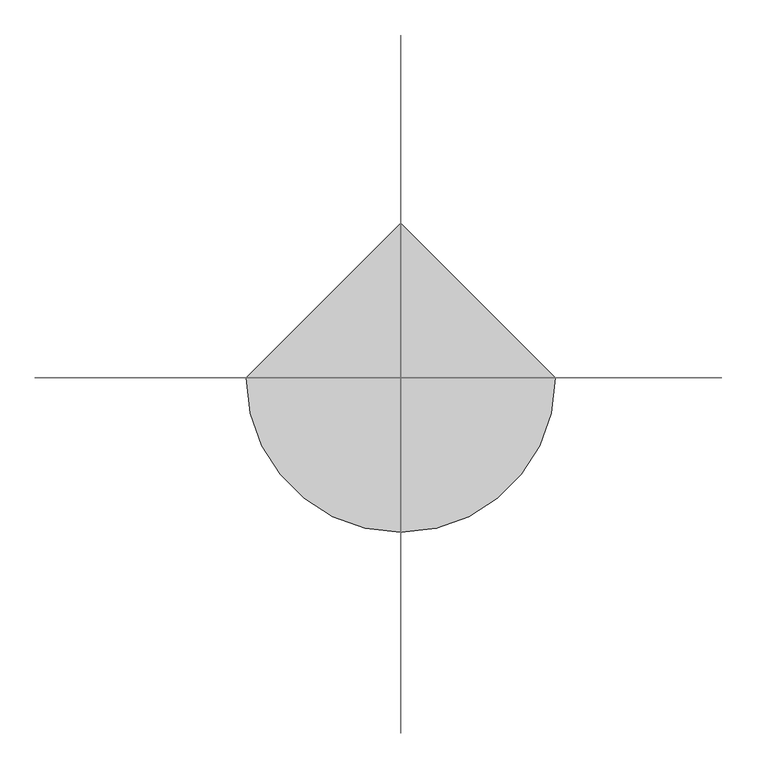
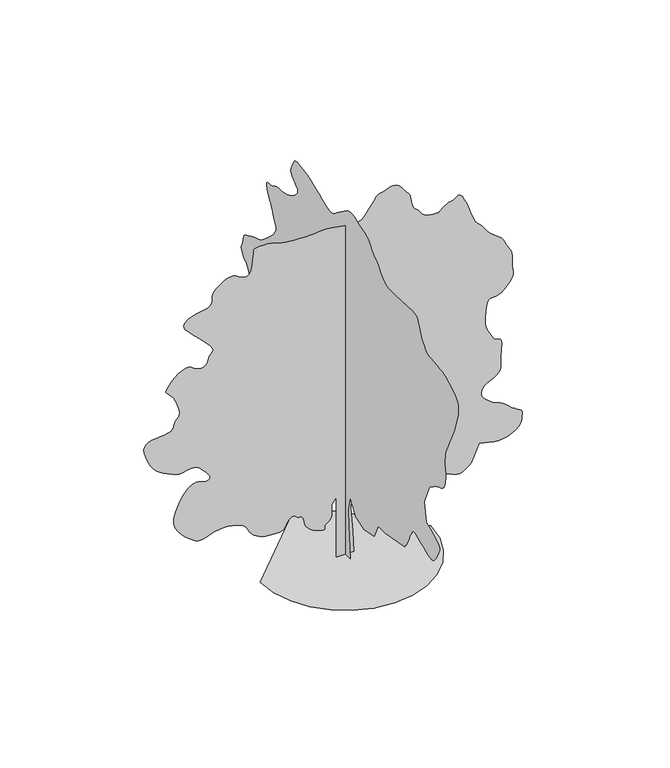
"""IFC4 building model written with IfcOpenShell, lengths in millimetres: geographic element geometry."""

from ifc_helpers import new_model, si_unit, origin, place, context, project, spatial, triangles, source, transform, mapped, element, save


def geographic_element_13b38d7d(model_context):
    return source(origin(), model_context, "Body", "Tessellation", [
        triangles([(0.0172504, 306.0074844, 0.0), (0.0172504, -293.5650026, 0.0), (0.0172504, -196.8600042, 1141.1199549), (0.0172504, -177.5184886, 1682.6674953), (0.0172504, -293.5650026, 2185.5349113), (0.0172504, -603.0224945, 1682.6674953), (0.0172504, -1105.8875124, 1527.9400211), (0.0172504, -1686.1174301, 1663.3275421), (0.0172504, -1918.2099495, 2146.8525341), (0.0172504, -2324.3725124, 2146.8525341), (0.0172504, -3446.1498253, 2359.6049549), (0.0172504, -3487.4249222, 2409.394939), (0.0172504, -3527.7000801, 2459.5225479), (0.0172504, -3565.9250725, 2510.3249702), (0.0172504, -3601.0999603, 2562.1500046), (0.0172504, -3632.2248047, 2615.3249565), (0.0172504, -3658.2749588, 2670.2000954), (0.0172504, -3678.2499023, 2727.0748215), (0.0172504, -3697.649881, 2785.6750237), (0.0172504, -3722.1248405, 2845.2748741), (0.0172504, -3750.8248329, 2905.7249634), (0.0172504, -3782.89991, 2966.8500114), (0.0172504, -3817.5248314, 3028.475029), (0.0172504, -3853.8249413, 3090.4500252), (0.0172504, -3890.9999977, 3152.5750122), (0.0172504, -3908.7000801, 3172.6499496), (0.0172504, -3933.1750397, 3188.8498329), (0.0172504, -3971.1750458, 3197.2499016), (0.0172504, -4029.4749756, 3193.9748108), (0.0172504, -4114.8499969, 3175.1500877), (0.0172504, -4234.0499886, 3136.8498093), (0.0172504, -4393.8498276, 3075.2250824), (0.0172504, -4562.5749939, 3002.6998581), (0.0172504, -4706.2499451, 2937.9750298), (0.0172504, -4828.2750549, 2886.4249786), (0.0172504, -4932.0251175, 2853.4999535), (0.0172504, -5020.8999252, 2844.5999153), (0.0172504, -5098.249855, 2865.1248253), (0.0172504, -5167.4996979, 2920.4999336), (0.0172504, -5237.3750839, 3007.7248421), (0.0172504, -5309.5997452, 3113.9000473), (0.0172504, -5377.0996948, 3229.5499649), (0.0172504, -5432.7497864, 3345.1998825), (0.0172504, -5469.4498718, 3451.3750877), (0.0172504, -5480.1248016, 3538.6249947), (0.0172504, -5457.6250122, 3597.424894), (0.0172504, -5402.6498795, 3641.6998077), (0.0172504, -5323.3000717, 3691.0249947), (0.0172504, -5223.6747574, 3744.5999222), (0.0172504, -5107.774855, 3801.5499344), (0.0172504, -4979.7251129, 3861.0500816), (0.0172504, -4843.5499947, 3922.224836), (0.0172504, -4703.3248329, 3984.2498291), (0.0172504, -4587.2749397, 4641.8498062), (0.0172504, -4877.3749649, 5318.7747665), (0.0172504, -4886.5249878, 5331.7001404), (0.0172504, -4900.7247025, 5347.4747589), (0.0172504, -4925.0999588, 5369.0251877), (0.0172504, -4964.6748688, 5399.20009), (0.0172504, -5024.5497025, 5440.8498734), (0.0172504, -5109.8247299, 5496.8999405), (0.0172504, -5225.5246445, 5570.225116), (0.0172504, -5351.0501221, 5636.6501312), (0.0172504, -5462.3497238, 5680.0498077), (0.0172504, -5559.4501923, 5715.3499786), (0.0172504, -5642.3497833, 5757.424736), (0.0172504, -5711.0246613, 5821.1499161), (0.0172504, -5765.4998245, 5921.4001923), (0.0172504, -5805.7496933, 6073.0746552), (0.0172504, -5829.0500153, 6222.0498642), (0.0172504, -5835.7501877, 6317.5748474), (0.0172504, -5830.6249191, 6379.6001312), (0.0172504, -5818.3750854, 6428.1000778), (0.0172504, -5803.7748138, 6483.0246323), (0.0172504, -5791.5499786, 6564.3249023), (0.0172504, -5786.4247101, 6691.9996674), (0.0172504, -5788.2251816, 6832.849791), (0.0172504, -5796.1246994, 6949.6746368), (0.0172504, -5813.8247818, 7056.3751007), (0.0172504, -5845.0496201, 7166.7747574), (0.0172504, -5893.550148, 7294.7750839), (0.0172504, -5963.0249771, 7454.2496521), (0.0172504, -6057.1750443, 7659.049942), (0.0172504, -6146.5748199, 7844.1746887), (0.0172504, -6206.1746704, 7955.8748474), (0.0172504, -6246.4751175, 8024.9497009), (0.0172504, -6277.9999374, 8082.1746964), (0.0172504, -6311.2246536, 8158.3496979), (0.0172504, -6356.599791, 8284.2751511), (0.0172504, -6424.6747055, 8490.6997604), (0.0172504, -6498.0248795, 8729.4997192), (0.0172504, -6547.3747742, 8935.1499573), (0.0172504, -6565.2498459, 9112.3746048), (0.0172504, -6544.199968, 9265.925116), (0.0172504, -6476.8250107, 9400.5250397), (0.0172504, -6355.6498489, 9520.8996689), (0.0172504, -6173.2249374, 9631.8248749), (0.0172504, -5996.2246948, 9723.0001236), (0.0172504, -5879.7998245, 9785.7747803), (0.0172504, -5799.2250916, 9827.2001587), (0.0172504, -5729.799678, 9854.4496582), (0.0172504, -5646.85009, 9874.575174), (0.0172504, -5525.6749283, 9894.699527), (0.0172504, -5341.575119, 9921.9501892), (0.0172504, -5144.0999634, 9943.4244598), (0.0172504, -4990.9500092, 9951.725116), (0.0172504, -4869.5998581, 9962.0244873), (0.0172504, -4767.5499825, 9989.5995483), (0.0172504, -4672.2499855, 10049.6493713), (0.0172504, -4571.2000488, 10157.425351), (0.0172504, -4451.8750648, 10328.0998169), (0.0172504, -4347.6750298, 10515.7499908), (0.0172504, -4286.1000092, 10666.5500885), (0.0172504, -4245.8498497, 10783.8243256), (0.0172504, -4205.5749825, 10871.0003998), (0.0172504, -4143.9999619, 10931.4501984), (0.0172504, -4039.7999268, 10968.5502594), (0.0172504, -3871.650016, 10985.7003754), (0.0172504, -2943.2749969, 10927.6748474), (0.0172504, -2772.1499771, 10930.6746643), (0.0172504, -2632.8250511, 10930.2746887), (0.0172504, -2514.4500092, 10937.3242584), (0.0172504, -2406.244986, 10962.6250397), (0.0172504, -2297.3599171, 11017.0496246), (0.0172504, -2176.9724979, 11111.3752625), (0.0172504, -2034.2549011, 11256.4745453), (0.0172504, -1896.7275398, 11403.0249023), (0.0172504, -1793.7049038, 11502.8746216), (0.0172504, -1717.0749882, 11568.5752625), (0.0172504, -1658.7124168, 11612.6248993), (0.0172504, -1610.5024235, 11647.5250946), (0.0172504, -1564.3199226, 11685.7995026), (0.0172504, -1512.0500027, 11739.9996826), (0.0172504, -1461.8649845, 11803.9992645), (0.0172504, -1420.8125484, 11863.6002777), (0.0172504, -1379.087479, 11919.1503754), (0.0172504, -1326.8724976, 11970.9495392), (0.0172504, -1254.3574471, 12019.4000702), (0.0172504, -1151.7299904, 12064.7996246), (0.0172504, -1009.182514, 12107.4749268), (0.0172504, -849.1549999, 12154.4999634), (0.0172504, -699.9524792, 12206.6002716), (0.0172504, -560.5600064, 12254.6496643), (0.0172504, -429.9675053, 12289.4998627), (0.0172504, -307.1549798, 12302.0246796), (0.0172504, -191.1079934, 12283.0746735), (0.0172504, -80.8134993, 12223.5248199), (0.0172504, 499.4174812, 11798.0252106), (0.0172504, 562.2325061, 11740.8496307), (0.0172504, 623.0199657, 11688.7493225), (0.0172504, 689.217524, 11646.7751404), (0.0172504, 768.2749804, 11620.0500275), (0.0172504, 867.6299623, 11613.6248383), (0.0172504, 994.7275097, 11632.5748444), (0.0172504, 1157.0125168, 11681.9753174), (0.0172504, 1341.1749676, 11755.3243286), (0.0172504, 1526.6899521, 11837.8251068), (0.0172504, 1710.1749733, 11922.0246185), (0.0172504, 1888.2475342, 12000.4500641), (0.0172504, 2057.5249924, 12065.6995697), (0.0172504, 2214.6199093, 12110.3003357), (0.0172504, 2356.1550201, 12126.8249084), (0.0172504, 2484.8875694, 12135.849939), (0.0172504, 2604.4750374, 12156.3742676), (0.0172504, 2712.9248131, 12178.575238), (0.0172504, 2808.1498146, 12192.6743774), (0.0172504, 2888.1748718, 12188.8501923), (0.0172504, 2950.9248207, 12157.2753754), (0.0172504, 2994.400074, 12088.1249451), (0.0172504, 3033.2500282, 12001.2500153), (0.0172504, 3077.8499222, 11921.1246735), (0.0172504, 3119.7499809, 11845.0502472), (0.0172504, 3150.4998482, 11770.3245758), (0.0172504, 3161.6000427, 11694.2745667), (0.0172504, 3144.6249161, 11614.1503876), (0.0172504, 3091.124984, 11527.2498779), (0.0172504, 3009.2500397, 11447.6245056), (0.0172504, 2921.5998665, 11385.2492432), (0.0172504, 2841.4248184, 11331.3502075), (0.0172504, 2781.8749649, 11277.1000305), (0.0172504, 2756.1750801, 11213.7248291), (0.0172504, 2777.4749428, 11132.4251404), (0.0172504, 2859.0249069, 11024.3747589), (0.0172504, 2971.6250107, 10916.724353), (0.0172504, 3077.7999252, 10838.2000763), (0.0172504, 3178.2249001, 10782.3), (0.0172504, 3273.574894, 10742.6745117), (0.0172504, 3364.5248657, 10712.8251709), (0.0172504, 3451.7750633, 10686.4000397), (0.0172504, 3535.9498672, 10656.8995148), (0.0172504, 3620.024968, 10634.1753204), (0.0172504, 3706.4749237, 10626.6746155), (0.0172504, 3795.2750267, 10625.9502411), (0.0172504, 3886.4499847, 10623.5248077), (0.0172504, 3979.9997978, 10610.9499939), (0.0172504, 4075.9250473, 10579.7495728), (0.0172504, 4174.1998627, 10521.5252197), (0.0172504, 4275.775058, 10469.7993073), (0.0172504, 4375.6250679, 10451.2492767), (0.0172504, 4464.9998451, 10446.8995422), (0.0172504, 4535.0999268, 10437.8245148), (0.0172504, 4577.0999794, 10405.075351), (0.0172504, 4582.2249573, 10329.6753021), (0.0172504, 4541.6998146, 10192.7243591), (0.0172504, 4481.7999825, 10048.5994354), (0.0172504, 4432.0748199, 9951.4995483), (0.0172504, 4388.424868, 9882.1247131), (0.0172504, 4346.824791, 9821.224942), (0.0172504, 4303.174839, 9749.4996689), (0.0172504, 4253.4249687, 9647.6750702), (0.0172504, 4193.5498444, 9496.4499985), (0.0172504, 4130.2749275, 9347.6997757), (0.0172504, 4075.8250534, 9253.7496964), (0.0172504, 4034.1999779, 9195.999733), (0.0172504, 4009.500032, 9155.8498581), (0.0172504, 4005.7749687, 9114.7000443), (0.0172504, 4027.0998299, 9053.8996857), (0.0172504, 4077.4999512, 8954.8999146), (0.0172504, 4167.2249977, 8823.6747849), (0.0172504, 4293.1248711, 8684.3501495), (0.0172504, 4439.3499573, 8545.349913), (0.0172504, 4589.9500671, 8415.1497208), (0.0172504, 4729.0750053, 8302.1996384), (0.0172504, 4840.7748734, 8214.9747299), (0.0172504, 4909.1747681, 8161.9000626), (0.0172504, 4969.9001312, 8128.6997635), (0.0172504, 5061.0747986, 8095.1500671), (0.0172504, 5170.5250946, 8060.9248306), (0.0172504, 5286.0750183, 8025.6746567), (0.0172504, 5395.524733, 7989.0751465), (0.0172504, 5486.6999817, 7950.8001572), (0.0172504, 5547.4247635, 7910.4747116), (0.0172504, 5598.275148, 7876.9750122), (0.0172504, 5663.0246841, 7853.2997131), (0.0172504, 5734.1749924, 7830.2999542), (0.0172504, 5804.3247803, 7798.8251312), (0.0172504, 5866.0250839, 7749.7746368), (0.0172504, 5911.8001968, 7673.9746124), (0.0172504, 5934.2499893, 7562.325032), (0.0172504, 5952.6250305, 7450.1749008), (0.0172504, 5984.1998474, 7370.8500916), (0.0172504, 6018.4750809, 7312.1496048), (0.0172504, 6044.9996246, 7261.899765), (0.0172504, 6053.224704, 7207.9501511), (0.0172504, 6032.699794, 7138.074765), (0.0172504, 5972.9249542, 7040.1249298), (0.0172504, 5898.7248322, 6948.3747162), (0.0172504, 5838.7250061, 6893.5251572), (0.0172504, 5788.2001831, 6857.9500031), (0.0172504, 5742.4000717, 6824.0497467), (0.0172504, 5696.6249588, 6774.2498795), (0.0172504, 5646.1001358, 6690.9747299), (0.0172504, 5586.0997284, 6556.5997925), (0.0172504, 5520.6996506, 6421.9998688), (0.0172504, 5460.6998245, 6337.1498154), (0.0172504, 5411.5249191, 6283.0746277), (0.0172504, 5378.6001846, 6240.824881), (0.0172504, 5367.3247101, 6191.4999847), (0.0172504, 5383.09991, 6116.0999359), (0.0172504, 5431.3748703, 5995.7247253), (0.0172504, 5495.5000259, 5864.0496231), (0.0172504, 5555.8748291, 5761.8250488), (0.0172504, 5613.5747955, 5680.5747757), (0.0172504, 5669.5498672, 5611.8249023), (0.0172504, 5724.8749786, 5547.1497803), (0.0172504, 5780.5250702, 5478.0749268), (0.0172504, 5837.5250793, 5396.1496948), (0.0172504, 5903.6751114, 5315.3499756), (0.0172504, 5980.6500641, 5249.4249298), (0.0172504, 6060.324852, 5189.6000931), (0.0172504, 6134.5999695, 5127.0498413), (0.0172504, 6195.3247513, 5053.0247086), (0.0172504, 6234.3996918, 4958.6746536), (0.0172504, 6243.6997055, 4835.2499199), (0.0172504, 6251.5248093, 4738.3250221), (0.0172504, 6280.349794, 4706.349939), (0.0172504, 6313.2251129, 4704.825032), (0.0172504, 6333.2500534, 4699.249791), (0.0172504, 6323.4750687, 4655.0998695), (0.0172504, 6267.0500244, 4537.8750481), (0.0172504, 6146.999794, 4313.0498177), (0.0172504, 6021.4748978, 4060.8748032), (0.0172504, 5945.6998718, 3875.3750793), (0.0172504, 5898.3248566, 3742.6250427), (0.0172504, 5858.0749878, 3648.7999557), (0.0172504, 5803.5998245, 3580.0000854), (0.0172504, 5713.6000854, 3522.3748238), (0.0172504, 5566.7747452, 3462.0500175), (0.0172504, 5397.2496277, 3413.0998077), (0.0172504, 5248.0500137, 3392.5748978), (0.0172504, 5111.0246567, 3390.9999939), (0.0172504, 4978.0746323, 3398.8998024), (0.0172504, 4841.0498566, 3406.7749031), (0.0172504, 4691.8499519, 3405.1999992), (0.0172504, 4522.3498329, 3384.6750893), (0.0172504, 4353.2999771, 3366.3000481), (0.0172504, 4207.2498802, 3370.249807), (0.0172504, 4078.7998718, 3385.7000267), (0.0172504, 3962.5249924, 3401.8249146), (0.0172504, 3853.0249901, 3407.7998405), (0.0172504, 3744.8749054, 3392.799884), (0.0172504, 3632.6500694, 3345.9998337), (0.0172504, 3525.249939, 3296.2499634), (0.0172504, 3436.4248375, 3270.1998093), (0.0172504, 3368.249929, 3253.6249489), (0.0172504, 3322.75009, 3232.3250862), (0.0172504, 3301.9499062, 3192.0499283), (0.0172504, 3307.8748352, 3118.6500481), (0.0172504, 3342.5500443, 2997.8498634), (0.0172504, 3398.4748283, 2869.5248474), (0.0172504, 3465.5748024, 2778.7248665), (0.0172504, 3542.0000793, 2719.2500084), (0.0172504, 3625.8499031, 2684.8000763), (0.0172504, 3715.274968, 2669.1248703), (0.0172504, 3808.4248055, 2665.9500641), (0.0172504, 3903.4248207, 2669.0498749), (0.0172504, 4270.9250633, 2262.8999565), (0.0172504, 4299.7250496, 2217.1674282), (0.0172504, 4327.3498169, 2170.5925095), (0.0172504, 4352.6250183, 2122.3249615), (0.0172504, 4374.3248566, 2071.5174522), (0.0172504, 4391.2999832, 2017.3299168), (0.0172504, 4402.3498901, 1958.9124069), (0.0172504, 4406.2999397, 1895.4199162), (0.0172504, 4405.6249809, 1829.2200325), (0.0172504, 4400.8999786, 1763.6974331), (0.0172504, 4388.0248924, 1699.5299835), (0.0172504, 4362.9999664, 1637.3900265), (0.0172504, 4321.7248695, 1577.9574623), (0.0172504, 4260.1498489, 1521.9075405), (0.0172504, 4174.1998627, 1469.9175453), (0.0172504, 4092.2249245, 1425.7650078), (0.0172504, 4034.5999535, 1391.4249527), (0.0172504, 3985.4250481, 1364.8674168), (0.0172504, 3928.800016, 1344.0599659), (0.0172504, 3848.8499542, 1326.9749622), (0.0172504, 3729.6499626, 1311.5799717), (0.0172504, 3555.2998489, 1295.8475018), (0.0172504, 3356.9750359, 1298.1024513), (0.0172504, 3174.2248535, 1332.8375404), (0.0172504, 3003.6500908, 1392.27243), (0.0172504, 2841.8750816, 1468.6199501), (0.0172504, 2685.525032, 1554.1049938), (0.0172504, 2531.1748604, 1640.9424259), (0.0172504, 2375.4949734, 1721.3500179), (0.0172504, 2236.6674007, 1794.4849434), (0.0172504, 2129.3049133, 1863.5599422), (0.0172504, 2044.6099377, 1926.8850014), (0.0172504, 1973.7875164, 1982.7650208), (0.0172504, 1908.0399307, 2029.5099873), (0.0172504, 1838.5700432, 2065.4300331), (0.0172504, 1756.5824604, 2088.8299129), (0.0172504, 1666.4174698, 2108.5649002), (0.0172504, 1577.6074837, 2133.0375343), (0.0172504, 1489.134977, 2159.8799366), (0.0172504, 1399.9875114, 2186.7200134), (0.0172504, 1309.1449459, 2211.1925022), (0.0172504, 1215.5974583, 2230.9274895), (0.0172504, 1118.3299942, 2243.5575325), (0.0172504, 1018.8625191, 2250.1549496), (0.0172504, 919.3925005, 2253.7074944), (0.0172504, 819.9249527, 2254.7224033), (0.0172504, 720.4574776, 2253.7074944), (0.0172504, 620.9900024, 2251.1700039), (0.0172504, 521.5199839, 2247.6174591), (0.0172504, 422.0525087, 2243.5575325), (0.0172504, 228.6430025, 1953.4425373), (0.0172504, 189.960498, 1508.5999226), (280.4450004, 0.0006008, 0.0092122), (-299.78499, 0.0006008, 0.0092122), (-299.78499, 0.0004756, 2127.5199932), (-454.5149895, 0.0004756, 1914.7698978), (-454.5149895, 0.0005007, 1682.6775238), (-450.962481, 0.0005007, 1628.8274677), (-450.962481, 0.0005007, 1575.1449886), (-458.0674979, 0.0005007, 1521.8024597), (-475.8274967, 0.0005257, 1468.967458), (-507.8000001, 0.0005257, 1416.8100311), (-557.5350094, 0.0005257, 1365.4949947), (-628.5824896, 0.0005257, 1315.1974834), (-684.2375227, 0.0005257, 1262.982502), (-699.6325132, 0.0005257, 1210.0899456), (-696.0799685, 0.0005257, 1162.9524885), (-694.8950117, 0.0005257, 1127.990015), (-717.3950191, 0.0005257, 1111.6374521), (-784.8899546, 0.0005257, 1120.3224598), (-918.6974848, 0.0005257, 1160.4700092), (-1071.3399845, 0.0005257, 1223.0050003), (-1185.4124548, 0.0005257, 1293.6575191), (-1267.3424103, 0.0005257, 1371.0799736), (-1323.5625252, 0.0005257, 1453.9124176), (-1360.49748, 0.0005007, 1540.8049335), (-1384.5749348, 0.0005007, 1630.4049877), (-1402.2250202, 0.0005007, 1721.359901), (-1406.7349194, 0.0005007, 1746.1124599), (-1413.4449749, 0.0005007, 1770.1899147), (-1424.5524364, 0.0005007, 1792.9174519), (-1442.2599312, 0.0005007, 1813.6099388), (-1468.7599125, 0.0005007, 1831.5975037), (-1506.2599491, 0.0005007, 1846.2024261), (-1556.9524944, 0.0005007, 1856.747422), (-1607.6450397, 0.0005007, 1874.1124958), (-1647.509903, 0.0005007, 1903.3224861), (-1682.3024014, 0.0004756, 1934.8999191), (-1717.7700039, 0.0004756, 1959.3724079), (-1759.6674465, 0.0004756, 1967.2674202), (-1813.7424889, 0.0004756, 1949.1099529), (-1885.7500122, 0.0005007, 1895.4274738), (-1949.0724552, 0.0005007, 1820.3199944), (-1984.9925011, 0.0005007, 1746.902528), (-2011.0999191, 0.0005007, 1679.2374722), (-2044.9875309, 0.0005007, 1621.382428), (-2104.2525181, 0.0005007, 1577.402409), (-2206.4824699, 0.0005007, 1551.3499294), (-2369.2750042, 0.0005007, 1547.2900028), (-2549.149926, 0.0005007, 1559.2449417), (-2695.2000229, 0.0005007, 1578.979929), (-2813.8250496, 0.0005007, 1607.1750103), (-2911.4999016, 0.0005007, 1644.5025284), (-2994.6250603, 0.0005007, 1691.6425289), (-3069.5998444, 0.0005007, 1749.2724415), (-3142.9250198, 0.0005007, 1818.0648994), (-3205.1000038, 0.0005007, 1893.5100037), (-3249.7248962, 0.0004756, 1969.2975288), (-3287.549913, 0.0004756, 2043.389954), (-3329.4499718, 0.0004756, 2113.7624027), (-3386.2249947, 0.0004756, 2178.3824409), (-3468.7249008, 0.0004756, 2235.2224308), (-3587.7499031, 0.0004756, 2282.2499382), (-3707.4248657, 0.0004756, 2317.9974655), (-3794.2497986, 0.0004506, 2343.2600224), (-3862.8249733, 0.0004506, 2359.3875263), (-3927.674794, 0.0004506, 2367.7325111), (-4003.3248276, 0.0004506, 2369.6499813), (-4104.3750549, 0.0004506, 2366.4924706), (-4245.3498802, 0.0004506, 2359.6125126), (-4400.3500122, 0.0004506, 2335.1974331), (-4538.1250328, 0.0004756, 2289.8050003), (-4665.0498436, 0.0004756, 2240.3524956), (-4787.5749229, 0.0004756, 2203.7574909), (-4912.1501678, 0.0004756, 2196.9349422), (-5045.1501892, 0.0004756, 2236.7999508), (-5193.0498825, 0.0004506, 2340.272414), (-5347.7997391, 0.0004506, 2478.6475433), (-5490.6747391, 0.0004506, 2615.9999153), (-5612.2498764, 0.0004256, 2758.4499413), (-5703.0251495, 0.0004256, 2912.049868), (-5753.5499725, 0.0004256, 3082.8999046), (-5754.3499237, 0.0004005, 3277.0999695), (-5695.9250015, 0.0004005, 3500.7249825), (-5598.1501556, 0.0003755, 3726.2748779), (-5489.1998291, 0.0003755, 3919.6999901), (-5372.1499969, 0.0003505, 4077.2499664), (-5250.0248932, 0.0003505, 4195.2000343), (-5125.8499146, 0.0003505, 4269.8498383), (-5002.6998734, 0.0003505, 4297.4998947), (-4883.6001663, 0.0003505, 4274.3748528), (-4771.2750458, 0.0003505, 4235.4749016), (-4671.8250114, 0.0003505, 4218.8750427), (-4593.3248611, 0.0003505, 4225.6499199), (-4543.9249695, 0.0003505, 4256.7750549), (-4531.7498405, 0.0003505, 4313.2748039), (-4564.899852, 0.0003505, 4396.1749763), (-4651.4997986, 0.0003254, 4506.4749298), (-4752.500029, 0.0003254, 4617.0998634), (-4829.4749817, 0.0003254, 4702.3498924), (-4891.5496811, 0.0003254, 4765.2748306), (-4947.8747314, 0.0003254, 4808.9247826), (-5007.6001556, 0.0003254, 4836.3248543), (-5079.8248169, 0.0003004, 4850.5498581), (-5173.7248993, 0.0003004, 4854.5999016), (-5270.0248352, 0.0003254, 4845.5248741), (-5349.7751999, 0.0003254, 4824.5999886), (-5422.3998367, 0.0003254, 4801.3249557), (-5497.39991, 0.0003254, 4785.1247818), (-5584.2248428, 0.0003254, 4785.5250481), (-5692.3746368, 0.0003254, 4811.9748871), (-5831.3248764, 0.0003004, 4873.9498833), (-5978.7751785, 0.0003004, 4948.0997177), (-6108.6248108, 0.0003004, 5012.4248611), (-6224.624707, 0.0003004, 5078.4748993), (-6330.4496429, 0.0003004, 5157.6997147), (-6429.8749695, 0.0003004, 5261.5997681), (-6526.574881, 0.0002754, 5401.7249359), (-6624.2997299, 0.0002754, 5589.5750977), (-6705.1000305, 0.0002503, 5784.4998276), (-6749.6996338, 0.0002503, 5941.2001465), (-6759.8001801, 0.0002503, 6064.0746231), (-6737.074823, 0.0002253, 6157.4997345), (-6683.2246216, 0.0002253, 6225.8996292), (-6599.9500534, 0.0002253, 6273.6496216), (-6488.899855, 0.0002253, 6305.1750229), (-6357.7997177, 0.0002253, 6323.2750809), (-6219.2750336, 0.0002253, 6333.9500107), (-6082.3996674, 0.0002253, 6346.2748398), (-5956.3748016, 0.0002253, 6369.4501694), (-5850.3248795, 0.0002253, 6412.5998611), (-5773.3499268, 0.0002253, 6484.8251038), (-5734.5999664, 0.0002003, 6595.2997559), (-5705.9749695, 0.0002003, 6701.9746399), (-5661.749762, 0.0002003, 6771.4500504), (-5614.8497177, 0.0002003, 6825.699646), (-5578.0746368, 0.0002003, 6886.6999924), (-5564.3248947, 0.0001752, 6976.4747452), (-5586.4247086, 0.0001752, 7116.9998886), (-5657.2500366, 0.0001752, 7330.2496628), (-5757.5497284, 0.0001502, 7540.2996323), (-5853.4746872, 0.0001502, 7672.5247009), (-5935.8498917, 0.0001502, 7750.975145), (-5995.5747345, 0.0001252, 7799.6250824), (-6023.4747757, 0.0001252, 7842.5247894), (-6010.4499893, 0.0001252, 7903.7251236), (-5947.3497711, 0.0001252, 8007.1996216), (-5845.6501648, 0.0001252, 8136.3248795), (-5728.0247864, 0.0001001, 8253.9496765), (-5602.2749039, 0.0001001, 8353.3000076), (-5476.1750427, 0.0001001, 8427.6251221), (-5357.5497253, 0.0001001, 8470.1248535), (-5254.1246429, 0.0001001, 8474.0746124), (-5173.7248993, 0.0001001, 8432.6998123), (-5094.9000595, 0.0001001, 8371.00009), (-4997.8001724, 0.0001001, 8322.8501221), (-4892.5751999, 0.0001001, 8294.6500992), (-4789.3748131, 0.0001001, 8292.8496277), (-4698.3748444, 0.0001001, 8323.8750595), (-4629.6999664, 0.0001001, 8394.1248413), (-4593.4998505, 0.0001001, 8510.0497421), (-4560.3248405, 0.0001001, 8620.5749725), (-4508.224823, 7.51e-05, 8686.1000427), (-4458.4999512, 7.51e-05, 8730.2996704), (-4432.4497971, 7.51e-05, 8776.8747345), (-4451.3998032, 7.51e-05, 8849.4999527), (-4536.6498322, 7.51e-05, 8971.8750412), (-4709.5500343, 5.01e-05, 9167.6497192), (-4926.3498825, 5.01e-05, 9388.7995926), (-5120.1496811, 2.5e-05, 9575.0998489), (-5277.4249649, 2.5e-05, 9731.9745758), (-5384.5998184, 2.5e-05, 9864.8246063), (-5428.2000641, 0.0, 9979.0746094), (-5394.6497864, 0.0, 10080.1254181), (-5270.4248108, 0.0, 10173.3743774), (-5104.7500397, 0.0, 10245.2246429), (-4956.3497955, 0.0, 10286.2744629), (-4825.8749107, 0.0, 10308.3742767), (-4714.0000534, -2.5e-05, 10323.3745239), (-4621.3998917, -2.5e-05, 10343.1000641), (-4548.7749641, -2.5e-05, 10379.4245911), (-4496.7749405, -2.5e-05, 10444.1497101), (-4470.8500694, -2.5e-05, 10520.7252686), (-4466.9000198, -2.5e-05, 10587.8246613), (-4471.4000359, -2.5e-05, 10650.1999237), (-4470.8500694, -2.5e-05, 10712.5751862), (-4451.6747864, -5.01e-05, 10779.6745789), (-4400.3500122, -5.01e-05, 10856.2501373), (-4303.3748268, -5.01e-05, 10947.0248291), (-4184.6748047, -5.01e-05, 11036.8495789), (-4076.1250351, -5.01e-05, 11106.7243835), (-3976.0500389, -7.51e-05, 11155.5993073), (-3882.7249214, -7.51e-05, 11182.4999908), (-3794.4750755, -7.51e-05, 11186.3997528), (-3709.6000237, -7.51e-05, 11166.2498199), (-3626.4498665, -5.01e-05, 11121.1002502), (-3540.7248665, -5.01e-05, 11065.9001312), (-3452.3250298, -5.01e-05, 11022.8748505), (-3365.6000908, -5.01e-05, 11001.8249725), (-3284.9500717, -5.01e-05, 11012.5998962), (-3214.7999931, -5.01e-05, 11064.9746063), (-3159.5498772, -7.51e-05, 11168.7996643), (-3123.5750381, -7.51e-05, 11333.8500549), (-3102.0998955, -7.51e-05, 11511.0752838), (-3086.6999634, -0.0001001, 11648.0250641), (-3076.3750122, -0.0001001, 11749.4746857), (-3070.1248123, -0.0001001, 11820.1250244), (-3066.9000092, -0.0001001, 11864.7246277), (-3065.7250809, -0.0001001, 11888.0243683), (-3065.5500916, -0.0001001, 11894.7251221), (-3040.1248993, -0.0001001, 11898.674881), (-2971.0500458, -0.0001001, 11907.37435), (-2869.1498703, -0.0001001, 11916.0494019), (-2745.2748734, -0.0001001, 11920.0003235), (-2610.2249771, -0.0001001, 11914.4750793), (-2474.8323692, -0.0001001, 11894.7251221), (-2349.9349056, -0.0001001, 11856.0495758), (-2235.4099194, -0.0001001, 11813.024295), (-2120.5474537, -0.0001001, 11781.8494537), (-2000.2725277, -0.0001001, 11760.1251984), (-1869.507399, -0.0001001, 11745.5249268), (-1723.1824642, -0.0001001, 11735.6743652), (-1556.2175102, -0.0001001, 11728.174823), (-1363.5400269, -0.0001001, 11720.6752808), (-1177.5749971, -0.0001001, 11719.599765), (-1024.4249702, -0.0001001, 11728.6747925), (-889.5449764, -0.0001001, 11741.475174), (-758.3875025, -0.0001001, 11751.5745575), (-616.4049625, -0.0001001, 11752.5244995), (-449.0450109, -0.0001001, 11737.9253906), (-241.7632409, -0.0001001, 11701.3252991), (-32.2257492, -0.0001001, 11657.8000488), (136.7124946, -0.0001001, 11627.7995544), (271.8174929, -0.0001001, 11613.0248749), (379.8574825, -0.0001001, 11615.1503265), (467.5974758, -0.0001001, 11635.9246399), (541.8025031, -0.0001001, 11676.9744598), (609.2425, -0.0001001, 11739.9996826), (899.3574589, -0.0001252, 12107.4749268), (942.8899761, -0.0001252, 12164.1493744), (977.6249926, -0.0001252, 12217.4496094), (1008.9749685, -0.0001252, 12266.3245331), (1042.3574512, -0.0001252, 12309.7997864), (1083.1825029, -0.0001252, 12346.8498505), (1136.864982, -0.0001252, 12376.4503693), (1208.8149508, -0.0001252, 12397.6002411), (1297.0049892, -0.0001502, 12421.8499237), (1393.3149536, -0.0001502, 12454.2246918), (1494.0224693, -0.0001502, 12483.8752075), (1595.4100307, -0.0001502, 12499.9998047), (1693.7499584, -0.0001502, 12491.7747253), (1785.3224213, -0.0001502, 12448.349469), (1866.4099136, -0.0001252, 12358.9246948), (1938.4149662, -0.0001252, 12256.9251068), (2004.3324543, -0.0001252, 12177.5752991), (2062.8075188, -0.0001252, 12112.7746033), (2112.4850098, -0.0001252, 12054.4246765), (2152.0125389, -0.0001252, 11994.3748535), (2180.0374271, -0.0001001, 11924.5000488), (2195.2049606, -0.0001001, 11836.6995941), (2205.7499565, -0.0001001, 11745.6993347), (2220.3550243, -0.0001001, 11669.9248901), (2238.3424438, -0.0001001, 11606.8252533), (2259.0349308, -7.51e-05, 11553.8749969), (2281.7599972, -7.51e-05, 11508.5242767), (2305.8374519, -7.51e-05, 11468.274408), (2330.5924816, -7.51e-05, 11430.5499664), (2355.6274361, -7.51e-05, 11413.5742584), (2381.6799156, -7.51e-05, 11394.2242767), (2409.760033, -7.51e-05, 11370.1501648), (2440.8873482, -7.51e-05, 11338.9753235), (2476.0724098, -7.51e-05, 11298.3243164), (2516.3248947, -7.51e-05, 11245.8251953), (2562.6749725, -7.51e-05, 11179.1246155), (2631.3748489, -5.01e-05, 11115.7249969), (2728.4750267, -5.01e-05, 11072.3253204), (2839.7749191, -5.01e-05, 11045.1246552), (2951.0748116, -5.01e-05, 11030.4743866), (3048.1749893, -5.01e-05, 11024.6003265), (3116.8748657, -5.01e-05, 11023.8247925), (3142.9250198, -5.01e-05, 11024.4003387), (3156.2750771, -5.01e-05, 11038.3250702), (3192.9998703, -5.01e-05, 11074.2252045), (3247.9750031, -5.01e-05, 11123.3501129), (3316.1499115, -7.51e-05, 11176.8503357), (3392.4249069, -7.51e-05, 11225.9752441), (3471.7750053, -7.51e-05, 11261.8997955), (3549.0749382, -7.51e-05, 11275.824527), (3618.3750687, -7.51e-05, 11292.800235), (3679.549823, -7.51e-05, 11331.0746429), (3736.3498444, -7.51e-05, 11371.7244873), (3792.4499084, -7.51e-05, 11395.8253418), (3851.6000771, -7.51e-05, 11384.3748779), (3917.5248322, -7.51e-05, 11318.4498322), (3993.9248199, -7.51e-05, 11179.1246155), (4065.8750793, -5.01e-05, 11015.4253052), (4119.5500008, -5.01e-05, 10883.1996552), (4160.3748344, -5.01e-05, 10773.6249481), (4193.7498322, -2.5e-05, 10677.9493927), (4225.0999535, -2.5e-05, 10587.3246918), (4259.8498672, -2.5e-05, 10493.0002167), (4303.3748268, -2.5e-05, 10386.1253448), (4348.1000038, 0.0, 10292.3496735), (4386.3749931, 0.0, 10232.749823), (4423.6500435, 0.0, 10191.7744171), (4465.3248253, 0.0, 10153.824408), (4516.799881, 0.0, 10103.3495819), (4583.4998795, 0.0, 10024.7997253), (4670.850071, 0.0, 9902.6002075), (4778.3749031, 2.5e-05, 9766.6003693), (4896.3999664, 2.5e-05, 9652.9247498), (5016.4501968, 2.5e-05, 9555.474884), (5130.0746567, 5.01e-05, 9468.1999786), (5228.8000259, 5.01e-05, 9384.974826), (5304.2000748, 5.01e-05, 9299.6997986), (5347.7997391, 5.01e-05, 9206.3246841), (5382.0249756, 5.01e-05, 9114.7500412), (5429.774968, 7.51e-05, 9032.6498199), (5483.3001892, 7.51e-05, 8950.5495987), (5534.7749542, 7.51e-05, 8858.9749557), (5576.449736, 7.51e-05, 8748.4747238), (5600.5250107, 0.0001001, 8609.5250656), (5599.22509, 0.0001001, 8432.6998123), (5596.5746704, 0.0001001, 8262.7497208), (5611.174942, 0.0001252, 8138.7997284), (5627.1251312, 0.0001252, 8042.949765), (5628.5500443, 0.0001252, 7957.224765), (5599.5000732, 0.0001252, 7863.7496567), (5524.1250229, 0.0001502, 7744.5249573), (5386.474704, 0.0001502, 7581.6750137), (5223.124791, 0.0001502, 7444.9496384), (5081.4247192, 0.0001502, 7390.0750809), (4961.7000504, 0.0001502, 7378.1746445), (4864.3248894, 0.0001502, 7370.3501221), (4789.5997993, 0.0001752, 7327.6498215), (4737.9000481, 0.0001752, 7211.2249512), (4709.5250359, 0.0001752, 6982.1249817), (4698.9248108, 0.0002003, 6728.5997589), (4700.5250038, 0.0002003, 6550.1751846), (4714.6000168, 0.0002253, 6424.8996918), (4741.5748238, 0.0002253, 6330.7246262), (4781.7249893, 0.0002253, 6245.7001648), (4835.3999107, 0.0002253, 6147.7997452), (4902.950148, 0.0002503, 6015.074707), (4980.0250946, 0.0002503, 5899.6497757), (5057.7999985, 0.0002503, 5847.1500732), (5129.7996735, 0.0002503, 5825.7746338), (5189.6250916, 0.0002503, 5803.7248169), (5230.8499008, 0.0002503, 5749.1996567), (5247.0250763, 0.0002754, 5630.3749329), (5231.7498459, 0.0002754, 5415.4996765), (5210.9999496, 0.0003004, 5178.6001831), (5207.8251434, 0.0003004, 5005.3247131), (5211.4499222, 0.0003004, 4881.0997375), (5210.9999496, 0.0003254, 4791.3999802), (5195.6497238, 0.0003254, 4721.6498772), (5154.5999039, 0.0003254, 4657.3000259), (5077.0249878, 0.0003254, 4583.8248596), (4983.2998947, 0.0003254, 4514.9249954), (4900.3997223, 0.0003254, 4468.3499313), (4827.3248222, 0.0003254, 4435.6498924), (4763.0499664, 0.0003505, 4408.3498146), (4706.5499268, 0.0003505, 4378.0249214), (4656.8250549, 0.0003505, 4336.1748596), (4612.8248337, 0.0003505, 4274.3748528), (4577.8749321, 0.0003505, 4202.8248596), (4558.1249748, 0.0003505, 4135.32491), (4557.0000435, 0.0003505, 4068.8498978), (4577.8749321, 0.0003755, 4000.3250107), (4624.1000175, 0.0003755, 3926.7498505), (4699.0998001, 0.0003755, 3845.024897), (4806.2499458, 0.0003755, 3752.1750412), (4919.7997009, 0.0003755, 3670.8000664), (5016.1246353, 0.0003755, 3617.4998314), (5101.5996506, 0.0004005, 3580.1250778), (5182.6999329, 0.0004005, 3546.4748062), (5265.8000931, 0.0004005, 3504.3500519), (5357.374736, 0.0004005, 3441.5748138), (5463.8246338, 0.0004005, 3345.9998337), (5576.8497116, 0.0004005, 3247.2750458), (5681.0497467, 0.0004005, 3176.6249977), (5772.3999847, 0.0004256, 3124.2249985), (5846.8250931, 0.0004256, 3080.3000633), (5900.2747375, 0.0004256, 3035.0249199), (5928.6997467, 0.0004256, 2978.5748772), (5928.0247879, 0.0004256, 2901.1499519), (5916.924884, 0.0004256, 2813.2500847), (5910.1997131, 0.0004506, 2730.7498878), (5898.0748718, 0.0004506, 2651.975045), (5870.7247971, 0.0004506, 2575.2500771), (5818.350087, 0.0004506, 2498.8349739), (5731.1251785, 0.0004506, 2421.0748947), (5599.22509, 0.0004506, 2340.272414), (5441.7248199, 0.0004756, 2274.8624531), (5284.2501297, 0.0004756, 2240.917432), (5126.7498596, 0.0004756, 2233.1924675), (4969.2501709, 0.0004756, 2246.4425308), (4811.7748993, 0.0004756, 2275.4249187), (4654.2749199, 0.0004756, 2314.8975094), (4496.7749405, 0.0004506, 2359.6125126), (4225.9998985, 0.0005007, 1760.0424236), (4159.6498787, 0.0005007, 1702.5250042), (4092.9248817, 0.0005007, 1648.0549278), (4025.5499245, 0.0005007, 1599.675032), (3957.1500298, 0.0005007, 1560.4274277), (3887.3999268, 0.0005007, 1533.3625099), (3815.9499275, 0.0005007, 1521.5225349), (3742.4750519, 0.0005007, 1527.9499043), (3682.5999275, 0.0005007, 1542.5525013), (3644.6999153, 0.0005007, 1554.7899811), (3617.6498222, 0.0005007, 1567.0274609), (3590.2500412, 0.0005007, 1581.6299126), (3551.3248009, 0.0005007, 1600.9724819), (3489.750071, 0.0005007, 1627.4175247), (3394.3500801, 0.0005007, 1663.3374252), (3270.0748169, 0.0005007, 1715.4949974), (3134.2999649, 0.0005007, 1784.5699963), (2994.450071, 0.0005007, 1863.794957), (2857.9999695, 0.0004756, 1946.4024147), (2732.3500809, 0.0004756, 2025.6275208), (2624.9999474, 0.0004756, 2094.7025196), (2543.3499893, 0.0004756, 2146.8624172), (2474.2123489, 0.0004756, 2192.817461), (2400.0074306, 0.0004756, 2246.8925034), (2321.5699219, 0.0004756, 2307.7374813), (2239.7525322, 0.0004506, 2373.9924488), (2155.3950359, 0.0004506, 2444.3074883), (2069.3475266, 0.0004506, 2517.3248337), (1982.4550106, 0.0004506, 2591.6999451), (1963.1124413, 0.0004256, 2881.8249687), (1576.2924477, 0.0004256, 2920.4999336), (880.0149622, 0.0004256, 2862.474987), (415.8325032, 0.0004506, 2611.0499268), (222.421489, 0.0004756, 2146.8624172), (183.7397477, 0.0005007, 1605.3124786), (241.7622416, 0.0005507, 715.6274672), (-2855.9000977, 0.0, 0.0224297), (-2780.4000549, -654.3849844, 0.0224297), (-2565.3750984, -1255.3350037, 0.0224297), (-2228.0499035, -1785.6274899, 0.0224297), (-1785.6274899, -2228.0499035, 0.0224297), (-1255.3350037, -2565.3750984, 0.0224297), (-654.3849844, -2780.4000549, 0.0224297), (0.0001248, -2855.9000977, 0.0224297), (654.3849844, -2780.4000549, 0.0224297), (1255.3350037, -2565.3750984, 0.0224297), (1785.6274899, -2228.0499035, 0.0224297), (2228.0499035, -1785.6274899, 0.0224297), (2565.3750984, -1255.3350037, 0.0224297), (2780.4000549, -654.3849844, 0.0224297), (2855.9000977, 0.0002503, 0.0224297), (-0.0003745, 2855.9000977, 0.0224297)], [[1, 2, 3], [368, 1, 3], [368, 3, 4], [367, 368, 4], [367, 4, 5], [277, 278, 279], [366, 367, 5], [276, 277, 279], [276, 279, 280], [7, 8, 9], [6, 7, 9], [5, 6, 9], [315, 316, 317], [201, 202, 203], [200, 201, 203], [200, 203, 204], [199, 200, 204], [199, 204, 205], [198, 199, 205], [198, 205, 206], [198, 206, 207], [197, 198, 207], [197, 207, 208], [275, 276, 280], [196, 197, 208], [195, 196, 208], [194, 195, 208], [194, 208, 209], [193, 194, 209], [192, 193, 209], [192, 209, 210], [191, 192, 210], [191, 210, 211], [191, 211, 212], [190, 191, 212], [190, 212, 213], [190, 213, 214], [189, 190, 214], [189, 214, 215], [188, 189, 215], [187, 188, 215], [186, 187, 215], [10, 11, 12], [314, 315, 317], [10, 12, 13], [10, 13, 14], [10, 14, 15], [10, 15, 16], [10, 16, 17], [10, 17, 18], [10, 18, 19], [10, 19, 20], [10, 20, 21], [10, 21, 22], [185, 186, 215], [185, 215, 216], [275, 280, 281], [10, 22, 23], [167, 168, 169], [166, 167, 169], [165, 166, 169], [165, 169, 170], [164, 165, 170], [164, 170, 171], [163, 164, 171], [163, 171, 172], [163, 172, 173], [163, 173, 174], [163, 174, 175], [163, 175, 176], [163, 176, 177], [163, 177, 178], [163, 178, 179], [163, 179, 180], [162, 163, 180], [161, 162, 180], [160, 161, 180], [159, 160, 180], [159, 180, 181], [158, 159, 181], [157, 158, 181], [156, 157, 181], [156, 181, 182], [155, 156, 182], [154, 155, 182], [154, 182, 183], [9, 10, 23], [9, 23, 24], [9, 24, 25], [45, 46, 47], [44, 45, 47], [44, 47, 48], [43, 44, 48], [43, 48, 49], [42, 43, 49], [42, 49, 50], [41, 42, 50], [40, 41, 50], [40, 50, 51], [39, 40, 51], [38, 39, 51], [37, 38, 51], [36, 37, 51], [35, 36, 51], [34, 35, 51], [33, 34, 51], [33, 51, 52], [32, 33, 52], [32, 52, 53], [31, 32, 53], [30, 31, 53], [29, 30, 53], [28, 29, 53], [28, 53, 54], [27, 28, 54], [26, 27, 54], [5, 9, 25], [5, 25, 26], [5, 26, 54], [5, 54, 55], [366, 5, 55], [365, 366, 55], [364, 365, 55], [363, 364, 55], [362, 363, 55], [361, 362, 55], [361, 55, 56], [153, 154, 183], [153, 183, 184], [313, 314, 317], [360, 361, 56], [184, 185, 216], [153, 184, 216], [152, 153, 216], [152, 216, 217], [243, 244, 245], [242, 243, 245], [242, 245, 246], [241, 242, 246], [241, 246, 247], [241, 247, 248], [240, 241, 248], [240, 248, 249], [240, 249, 250], [239, 240, 250], [239, 250, 251], [238, 239, 251], [237, 238, 251], [236, 237, 251], [235, 236, 251], [234, 235, 251], [233, 234, 251], [232, 233, 251], [231, 232, 251], [230, 231, 251], [229, 230, 251], [228, 229, 251], [228, 251, 252], [227, 228, 252], [226, 227, 252], [226, 252, 253], [226, 253, 254], [226, 254, 255], [226, 255, 256], [226, 256, 257], [225, 226, 257], [224, 225, 257], [223, 224, 257], [222, 223, 257], [222, 257, 258], [221, 222, 258], [220, 221, 258], [115, 116, 117], [114, 115, 117], [114, 117, 118], [113, 114, 118], [113, 118, 119], [112, 113, 119], [111, 112, 119], [110, 111, 119], [152, 217, 218], [313, 317, 318], [313, 318, 319], [313, 319, 320], [313, 320, 321], [313, 321, 322], [313, 322, 323], [313, 323, 324], [313, 324, 325], [313, 325, 326], [313, 326, 327], [313, 327, 328], [313, 328, 329], [313, 329, 330], [313, 330, 331], [313, 331, 332], [313, 332, 333], [313, 333, 334], [313, 334, 335], [313, 335, 336], [313, 336, 337], [313, 337, 338], [313, 338, 339], [313, 339, 340], [313, 340, 341], [312, 313, 341], [312, 341, 342], [312, 342, 343], [311, 312, 343], [311, 343, 344], [311, 344, 345], [310, 311, 345], [310, 345, 346], [310, 346, 347], [310, 347, 348], [309, 310, 348], [309, 348, 349], [309, 349, 350], [308, 309, 350], [308, 350, 351], [307, 308, 351], [307, 351, 352], [307, 352, 353], [307, 353, 354], [307, 354, 355], [307, 355, 356], [307, 356, 357], [307, 357, 358], [306, 307, 358], [306, 358, 359], [306, 359, 360], [306, 360, 56], [305, 306, 56], [305, 56, 57], [304, 305, 57], [303, 304, 57], [302, 303, 57], [301, 302, 57], [301, 57, 58], [301, 58, 59], [110, 119, 120], [109, 110, 120], [109, 120, 121], [301, 59, 60], [300, 301, 60], [300, 60, 61], [151, 152, 218], [109, 121, 122], [300, 61, 62], [145, 146, 147], [144, 145, 147], [143, 144, 147], [143, 147, 148], [142, 143, 148], [141, 142, 148], [140, 141, 148], [140, 148, 149], [139, 140, 149], [138, 139, 149], [137, 138, 149], [136, 137, 149], [135, 136, 149], [134, 135, 149], [133, 134, 149], [132, 133, 149], [132, 149, 150], [131, 132, 150], [130, 131, 150], [129, 130, 150], [128, 129, 150], [127, 128, 150], [126, 127, 150], [126, 150, 151], [126, 151, 218], [125, 126, 218], [124, 125, 218], [123, 124, 218], [123, 218, 219], [122, 123, 219], [109, 122, 219], [108, 109, 219], [108, 219, 220], [108, 220, 258], [108, 258, 259], [108, 259, 260], [108, 260, 261], [108, 261, 262], [107, 108, 262], [107, 262, 263], [107, 263, 264], [106, 107, 264], [106, 264, 265], [106, 265, 266], [106, 266, 267], [106, 267, 268], [105, 106, 268], [104, 105, 268], [103, 104, 268], [102, 103, 268], [101, 102, 268], [100, 101, 268], [99, 100, 268], [98, 99, 268], [97, 98, 268], [96, 97, 268], [95, 96, 268], [94, 95, 268], [93, 94, 268], [92, 93, 268], [91, 92, 268], [90, 91, 268], [89, 90, 268], [88, 89, 268], [87, 88, 268], [86, 87, 268], [85, 86, 268], [84, 85, 268], [83, 84, 268], [82, 83, 268], [81, 82, 268], [80, 81, 268], [79, 80, 268], [78, 79, 268], [77, 78, 268], [76, 77, 268], [75, 76, 268], [74, 75, 268], [73, 74, 268], [72, 73, 268], [71, 72, 268], [70, 71, 268], [69, 70, 268], [68, 69, 268], [67, 68, 268], [66, 67, 268], [65, 66, 268], [64, 65, 268], [63, 64, 268], [62, 63, 268], [300, 62, 268], [299, 300, 268], [298, 299, 268], [297, 298, 268], [296, 297, 268], [295, 296, 268], [294, 295, 268], [293, 294, 268], [292, 293, 268], [291, 292, 268], [290, 291, 268], [289, 290, 268], [288, 289, 268], [287, 288, 268], [286, 287, 268], [285, 286, 268], [284, 285, 268], [283, 284, 268], [282, 283, 268], [281, 282, 268], [275, 281, 268], [275, 268, 269], [274, 275, 269], [274, 269, 270], [274, 270, 271], [273, 274, 271], [272, 273, 271], [802, 369, 370], [802, 370, 371], [801, 802, 371], [800, 801, 371], [575, 576, 577], [799, 800, 371], [574, 575, 577], [383, 384, 385], [383, 385, 386], [382, 383, 386], [382, 386, 387], [381, 382, 387], [381, 387, 388], [794, 795, 796], [510, 511, 512], [574, 577, 578], [573, 574, 578], [572, 573, 578], [572, 578, 579], [571, 572, 579], [571, 579, 580], [570, 571, 580], [570, 580, 581], [570, 581, 582], [569, 570, 582], [569, 582, 583], [569, 583, 584], [568, 569, 584], [568, 584, 585], [509, 510, 512], [509, 512, 513], [508, 509, 513], [508, 513, 514], [508, 514, 515], [507, 508, 515], [507, 515, 516], [507, 516, 517], [507, 517, 518], [507, 518, 519], [507, 519, 520], [507, 520, 521], [507, 521, 522], [506, 507, 522], [506, 522, 523], [505, 506, 523], [505, 523, 524], [504, 505, 524], [568, 585, 586], [504, 524, 525], [538, 539, 540], [538, 540, 541], [537, 538, 541], [537, 541, 542], [536, 537, 542], [536, 542, 543], [536, 543, 544], [535, 536, 544], [535, 544, 545], [535, 545, 546], [534, 535, 546], [534, 546, 547], [533, 534, 547], [533, 547, 548], [381, 388, 389], [380, 381, 389], [380, 389, 390], [380, 390, 391], [380, 391, 392], [380, 392, 393], [379, 380, 393], [378, 379, 393], [377, 378, 393], [376, 377, 393], [375, 376, 393], [374, 375, 393], [373, 374, 393], [372, 373, 393], [372, 393, 394], [372, 394, 395], [372, 395, 396], [372, 396, 397], [372, 397, 398], [371, 372, 398], [371, 398, 399], [532, 533, 548], [371, 399, 400], [567, 568, 586], [567, 586, 587], [657, 658, 659], [657, 659, 660], [656, 657, 660], [656, 660, 661], [655, 656, 661], [655, 661, 662], [654, 655, 662], [654, 662, 663], [653, 654, 663], [652, 653, 663], [651, 652, 663], [650, 651, 663], [649, 650, 663], [649, 663, 664], [648, 649, 664], [647, 648, 664], [647, 664, 665], [647, 665, 666], [647, 666, 667], [647, 667, 668], [647, 668, 669], [793, 794, 796], [713, 714, 715], [713, 715, 716], [712, 713, 716], [712, 716, 717], [711, 712, 717], [646, 647, 669], [711, 717, 718], [567, 587, 588], [645, 646, 669], [645, 669, 670], [750, 751, 752], [749, 750, 752], [748, 749, 752], [748, 752, 753], [747, 748, 753], [747, 753, 754], [747, 754, 755], [747, 755, 756], [747, 756, 757], [747, 757, 758], [747, 758, 759], [747, 759, 760], [746, 747, 760], [746, 760, 761], [746, 761, 762], [745, 746, 762], [745, 762, 763], [745, 763, 764], [744, 745, 764], [743, 744, 764], [743, 764, 765], [742, 743, 765], [741, 742, 765], [741, 765, 766], [740, 741, 766], [739, 740, 766], [738, 739, 766], [737, 738, 766], [736, 737, 766], [735, 736, 766], [644, 645, 670], [567, 588, 589], [792, 793, 796], [371, 400, 401], [371, 401, 402], [371, 402, 403], [371, 403, 404], [371, 404, 405], [799, 371, 405], [799, 405, 406], [766, 767, 768], [488, 489, 490], [488, 490, 491], [487, 488, 491], [487, 491, 492], [486, 487, 492], [486, 492, 493], [485, 486, 493], [485, 493, 494], [485, 494, 495], [484, 485, 495], [483, 484, 495], [483, 495, 496], [482, 483, 496], [481, 482, 496], [480, 481, 496], [479, 480, 496], [479, 496, 497], [478, 479, 497], [477, 478, 497], [476, 477, 497], [475, 476, 497], [474, 475, 497], [473, 474, 497], [472, 473, 497], [471, 472, 497], [471, 497, 498], [470, 471, 498], [469, 470, 498], [469, 498, 499], [468, 469, 499], [468, 499, 500], [468, 500, 501], [468, 501, 502], [468, 502, 503], [467, 468, 503], [466, 467, 503], [466, 503, 504], [466, 504, 525], [465, 466, 525], [465, 525, 526], [464, 465, 526], [463, 464, 526], [735, 766, 768], [735, 768, 769], [735, 769, 770], [735, 770, 771], [735, 771, 772], [735, 772, 773], [735, 773, 774], [735, 774, 775], [735, 775, 776], [735, 776, 777], [735, 777, 778], [735, 778, 779], [735, 779, 780], [735, 780, 781], [735, 781, 782], [735, 782, 783], [735, 783, 784], [735, 784, 785], [735, 785, 786], [735, 786, 787], [735, 787, 788], [735, 788, 789], [735, 789, 790], [735, 790, 791], [735, 791, 792], [735, 792, 796], [734, 735, 796], [733, 734, 796], [732, 733, 796], [731, 732, 796], [731, 796, 797], [730, 731, 797], [567, 589, 590], [455, 456, 457], [454, 455, 457], [453, 454, 457], [453, 457, 458], [452, 453, 458], [451, 452, 458], [451, 458, 459], [450, 451, 459], [449, 450, 459], [448, 449, 459], [447, 448, 459], [446, 447, 459], [445, 446, 459], [444, 445, 459], [443, 444, 459], [442, 443, 459], [441, 442, 459], [440, 441, 459], [439, 440, 459], [438, 439, 459], [437, 438, 459], [437, 459, 460], [436, 437, 460], [435, 436, 460], [434, 435, 460], [434, 460, 461], [433, 434, 461], [432, 433, 461], [431, 432, 461], [430, 431, 461], [429, 430, 461], [428, 429, 461], [428, 461, 462], [427, 428, 462], [411, 412, 413], [411, 413, 414], [410, 411, 414], [410, 414, 415], [409, 410, 415], [409, 415, 416], [409, 416, 417], [408, 409, 417], [408, 417, 418], [408, 418, 419], [408, 419, 420], [408, 420, 421], [408, 421, 422], [408, 422, 423], [408, 423, 424], [408, 424, 425], [408, 425, 426], [407, 408, 426], [407, 426, 427], [407, 427, 462], [406, 407, 462], [799, 406, 462], [799, 462, 463], [799, 463, 526], [798, 799, 526], [798, 526, 527], [798, 527, 528], [798, 528, 529], [798, 529, 530], [798, 530, 531], [797, 798, 531], [730, 797, 531], [729, 730, 531], [728, 729, 531], [728, 531, 532], [728, 532, 548], [728, 548, 549], [728, 549, 550], [727, 728, 550], [726, 727, 550], [725, 726, 550], [724, 725, 550], [723, 724, 550], [722, 723, 550], [721, 722, 550], [720, 721, 550], [719, 720, 550], [718, 719, 550], [711, 718, 550], [710, 711, 550], [709, 710, 550], [708, 709, 550], [707, 708, 550], [706, 707, 550], [705, 706, 550], [704, 705, 550], [703, 704, 550], [702, 703, 550], [701, 702, 550], [701, 550, 551], [701, 551, 552], [701, 552, 553], [701, 553, 554], [701, 554, 555], [701, 555, 556], [701, 556, 557], [701, 557, 558], [701, 558, 559], [700, 701, 559], [699, 700, 559], [698, 699, 559], [697, 698, 559], [696, 697, 559], [617, 618, 619], [616, 617, 619], [615, 616, 619], [615, 619, 620], [614, 615, 620], [613, 614, 620], [613, 620, 621], [612, 613, 621], [612, 621, 622], [611, 612, 622], [610, 611, 622], [609, 610, 622], [608, 609, 622], [607, 608, 622], [606, 607, 622], [605, 606, 622], [604, 605, 622], [604, 622, 623], [604, 623, 624], [604, 624, 625], [604, 625, 626], [604, 626, 627], [604, 627, 628], [604, 628, 629], [604, 629, 630], [604, 630, 631], [604, 631, 632], [603, 604, 632], [603, 632, 633], [602, 603, 633], [602, 633, 634], [602, 634, 635], [602, 635, 636], [602, 636, 637], [602, 637, 638], [602, 638, 639], [602, 639, 640], [602, 640, 641], [601, 602, 641], [643, 644, 670], [643, 670, 671], [567, 590, 591], [566, 567, 591], [692, 693, 694], [692, 694, 695], [691, 692, 695], [691, 695, 696], [690, 691, 696], [680, 681, 682], [689, 690, 696], [679, 680, 682], [679, 682, 683], [678, 679, 683], [559, 560, 561], [559, 561, 562], [559, 562, 563], [566, 591, 592], [642, 643, 671], [642, 671, 672], [642, 672, 673], [642, 673, 674], [642, 674, 675], [642, 675, 676], [600, 601, 641], [688, 689, 696], [687, 688, 696], [686, 687, 696], [685, 686, 696], [684, 685, 696], [683, 684, 696], [678, 683, 696], [677, 678, 696], [676, 677, 696], [642, 676, 696], [641, 642, 696], [600, 641, 696], [599, 600, 696], [598, 599, 696], [597, 598, 696], [596, 597, 696], [595, 596, 696], [594, 595, 696], [593, 594, 696], [592, 593, 696], [566, 592, 696], [565, 566, 696], [564, 565, 696], [564, 696, 559], [564, 559, 563], [817, 818, 803], [816, 817, 803], [816, 803, 804], [815, 816, 804], [815, 804, 805], [815, 805, 806], [814, 815, 806], [813, 814, 806], [813, 806, 807], [813, 807, 808], [813, 808, 809], [813, 809, 810], [813, 810, 811], [813, 811, 812]], closed=False),
    ])


if __name__ == "__main__":
    model = new_model("IFC4")
    model_context = context("Model", 3, world=origin())
    ifc_project = project(units=[si_unit("LENGTHUNIT", "METRE", prefix="MILLI")], contexts=[model_context])
    site = spatial("IfcSite", under=ifc_project)
    building = spatial("IfcBuilding", under=site)
    placement = place(None, origin())
    geographic_element_shape = geographic_element_13b38d7d(model_context)
    element("IfcGeographicElement", 1, at=placement, inside=building, context=model_context, shape_type="MappedRepresentation", body=[
        mapped(geographic_element_shape, transform((0.0, 0.0, 0.0), x_axis=(1.0, 0.0, 0.0), y_axis=(0.0, 1.0, 0.0), z_axis=(0.0, 0.0, 1.0))),
    ])
    save(model, "model.ifc")
